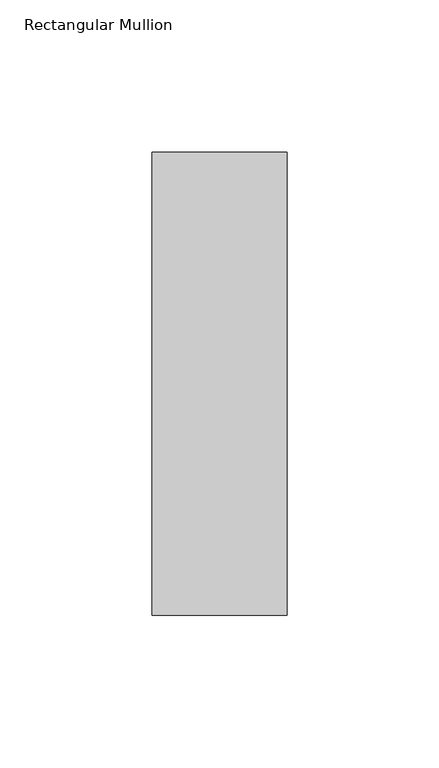
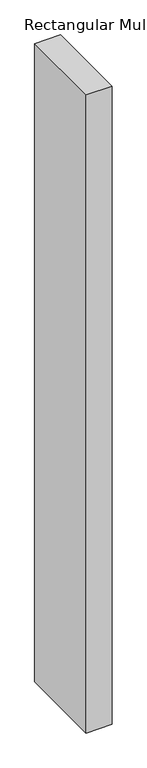
"""IFC4 building model written with IfcOpenShell, lengths in millimetres: member geometry, Rectangular Mullion."""

from ifc_helpers import new_model, si_unit, frame, origin, place, context, project, spatial, polyline, outline, extrude, source, transform, mapped, element, save


def rectangular_mullion_753879cb(model_context):
    return source(origin(), model_context, "Body", "SweptSolid", [
        extrude(outline(polyline([(22.225, 76.1906616), (22.225, -76.1906616), (-22.225, -76.1906616), (-22.225, 76.1906616), (22.225, 76.1906616)])), frame((0.0, 0.0, -1152.525), z_axis=(0.0, 0.0, 1.0), x_axis=(1.0, 0.0, 0.0)), (0.0, 0.0, 1.0), 1152.525),
    ])


if __name__ == "__main__":
    model = new_model("IFC4")
    model_context = context("Model", 3, world=origin())
    ifc_project = project(units=[si_unit("LENGTHUNIT", "METRE", prefix="MILLI")], contexts=[model_context])
    site = spatial("IfcSite", under=ifc_project)
    building = spatial("IfcBuilding", under=site)
    placement = place(None, origin())
    rectangular_mullion_shape = rectangular_mullion_753879cb(model_context)
    element("IfcMember", 1, ObjectType="Rectangular Mullion", at=placement, inside=building, context=model_context, shape_type="MappedRepresentation", body=[
        mapped(rectangular_mullion_shape, transform((0.0, 0.0, 0.0), x_axis=(1.0, 0.0, 0.0), y_axis=(0.0, 1.0, 0.0), z_axis=(0.0, 0.0, 1.0))),
    ])
    save(model, "model.ifc")
